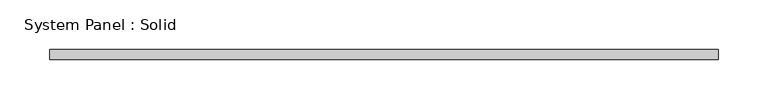
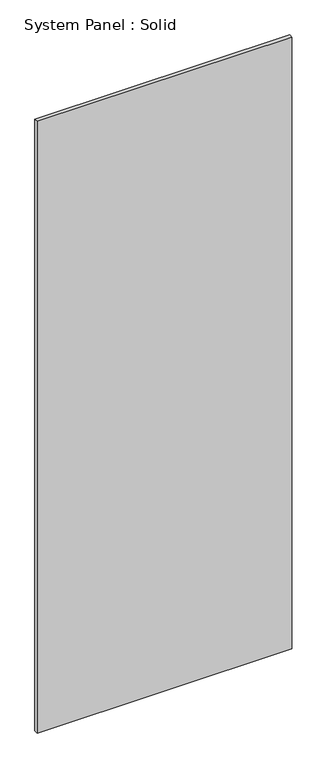
"""IFC4 building model written with IfcOpenShell, lengths in millimetres: plate geometry, System Panel : Solid."""

from ifc_helpers import new_model, si_unit, origin, origin_with_axes, place, context, project, spatial, polyline, outline, extrude, source, transform, mapped, element, save


def system_panel_solid_9424cd2a(model_context):
    return source(origin(), model_context, "Body", "SweptSolid", [
        extrude(outline(polyline([(335.0, 95.0), (-335.0, 95.0), (-335.0, 105.0), (335.0, 105.0), (335.0, 95.0)])), origin_with_axes(), (0.0, 0.0, 1.0), 1700.0),
    ])


if __name__ == "__main__":
    model = new_model("IFC4")
    model_context = context("Model", 3, world=origin())
    ifc_project = project(units=[si_unit("LENGTHUNIT", "METRE", prefix="MILLI")], contexts=[model_context])
    site = spatial("IfcSite", under=ifc_project)
    building = spatial("IfcBuilding", under=site)
    placement = place(None, origin())
    system_panel_solid_shape = system_panel_solid_9424cd2a(model_context)
    element("IfcPlate", 1, ObjectType="System Panel : Solid", at=placement, inside=building, context=model_context, shape_type="MappedRepresentation", body=[
        mapped(system_panel_solid_shape, transform((0.0, 0.0, 0.0), x_axis=(1.0, 0.0, 0.0), y_axis=(0.0, 1.0, 0.0), z_axis=(0.0, 0.0, 1.0))),
    ])
    save(model, "model.ifc")
